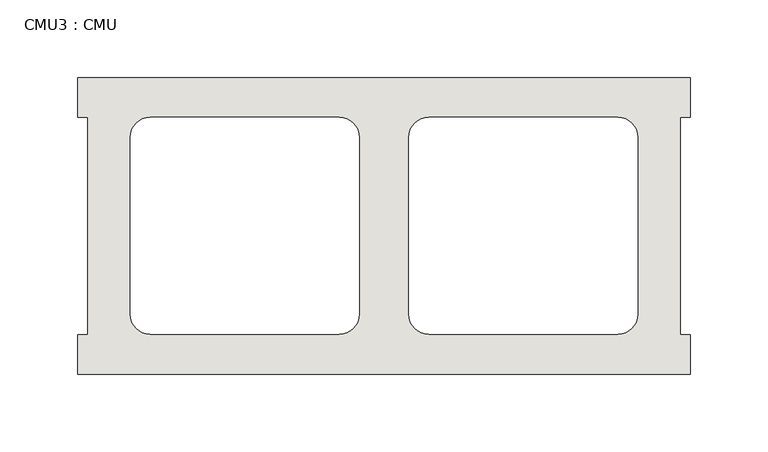
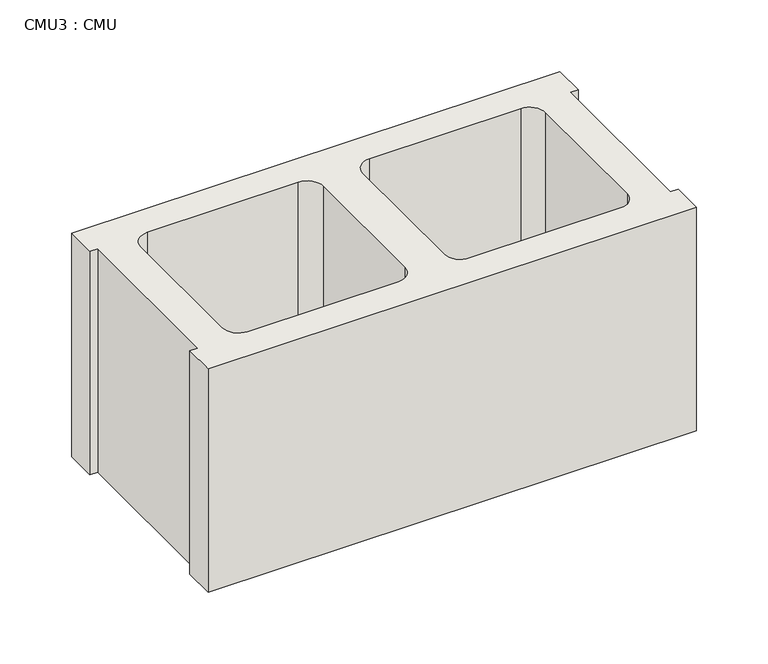
"""IFC4 building model written with IfcOpenShell, lengths in millimetres: wall geometry, CMU3 : CMU."""

from ifc_helpers import new_model, si_unit, point, frame, frame_2d, origin, place, context, project, spatial, polyline, circle_curve, trimmed, segment, composite_curve, outline, extrude, source, transform, mapped, element, save


def cmu3_cmu_ab1e16e1(model_context):
    return source(origin(), model_context, "Body", "SweptSolid", [
        extrude(outline(polyline([(-206.8785982, 3347.4652891), (186.8214018, 3347.4652891), (186.8214018, 3322.0652891), (180.4714018, 3322.0652891), (180.4714018, 3182.3652891), (186.8214018, 3182.3652891), (186.8214018, 3156.9652891), (-206.8785982, 3156.9652891), (-206.8785982, 3182.3652891), (-200.5285982, 3182.3652891), (-200.5285982, 3322.0652891), (-206.8785982, 3322.0652891), (-206.8785982, 3347.4652891)]), holes=[composite_curve([segment(polyline([(-38.7105995, 3322.0652891), (-160.4272496, 3322.0652891)]), True, "CONTINUOUS"), segment(trimmed(circle_curve(frame_2d((-160.4272496, 3309.3652891)), 12.7), [point((-160.4272496, 3322.0652891))], [point((-173.1272496, 3309.3652891))], True, "CARTESIAN"), True, "CONTINUOUS"), segment(polyline([(-173.1272496, 3309.3652891), (-173.1272496, 3195.2994494)]), True, "CONTINUOUS"), segment(trimmed(circle_curve(frame_2d((-160.4272496, 3195.2994494)), 12.7), [point((-173.1272496, 3195.2994494))], [point((-160.4272496, 3182.5994494))], True, "CARTESIAN"), True, "CONTINUOUS"), segment(polyline([(-160.4272496, 3182.5994494), (-38.7105995, 3182.5994494)]), True, "CONTINUOUS"), segment(trimmed(circle_curve(frame_2d((-38.7105995, 3195.2994494)), 12.7), [point((-38.7105995, 3182.5994494))], [point((-26.0105995, 3195.2994494))], True, "CARTESIAN"), True, "CONTINUOUS"), segment(polyline([(-26.0105995, 3195.2994494), (-26.0105995, 3309.3652891)]), True, "CONTINUOUS"), segment(trimmed(circle_curve(frame_2d((-38.7105995, 3309.3652891)), 12.7), [point((-26.0105995, 3309.3652891))], [point((-38.7105995, 3322.0652891))], True, "CARTESIAN"), True, "CONTINUOUS")], self_intersect=False), composite_curve([segment(trimmed(circle_curve(frame_2d((18.6534031, 3309.3652891)), 12.7), [point((18.6534031, 3322.0652891))], [point((5.9534031, 3309.3652891))], True, "CARTESIAN"), True, "CONTINUOUS"), segment(polyline([(5.9534031, 3309.3652891), (5.9534031, 3195.2994494)]), True, "CONTINUOUS"), segment(trimmed(circle_curve(frame_2d((18.6534031, 3195.2994494)), 12.7), [point((5.9534031, 3195.2994494))], [point((18.6534031, 3182.5994494))], True, "CARTESIAN"), True, "CONTINUOUS"), segment(polyline([(18.6534031, 3182.5994494), (140.3700532, 3182.5994494)]), True, "CONTINUOUS"), segment(trimmed(circle_curve(frame_2d((140.3700532, 3195.2994494)), 12.7), [point((140.3700532, 3182.5994494))], [point((153.0700532, 3195.2994494))], True, "CARTESIAN"), True, "CONTINUOUS"), segment(polyline([(153.0700532, 3195.2994494), (153.0700532, 3309.3652891)]), True, "CONTINUOUS"), segment(trimmed(circle_curve(frame_2d((140.3700532, 3309.3652891)), 12.7), [point((153.0700532, 3309.3652891))], [point((140.3700532, 3322.0652891))], True, "CARTESIAN"), True, "CONTINUOUS"), segment(polyline([(140.3700532, 3322.0652891), (18.6534031, 3322.0652891)]), True, "CONTINUOUS")], self_intersect=False)]), frame((0.0, 0.0, 203.2), z_axis=(0.0, 0.0, 1.0), x_axis=(1.0, 0.0, 0.0)), (0.0, 0.0, 1.0), 190.5),
    ])


if __name__ == "__main__":
    model = new_model("IFC4")
    model_context = context("Model", 3, world=origin())
    ifc_project = project(units=[si_unit("LENGTHUNIT", "METRE", prefix="MILLI")], contexts=[model_context])
    site = spatial("IfcSite", under=ifc_project)
    building = spatial("IfcBuilding", under=site)
    placement = place(None, origin())
    cmu3_cmu_shape = cmu3_cmu_ab1e16e1(model_context)
    element("IfcWall", 1, ObjectType="CMU3 : CMU", at=placement, inside=building, context=model_context, shape_type="MappedRepresentation", body=[
        mapped(cmu3_cmu_shape, transform((0.0, 0.0, 0.0), x_axis=(1.0, 0.0, 0.0), y_axis=(0.0, 1.0, 0.0), z_axis=(0.0, 0.0, 1.0))),
    ])
    save(model, "model.ifc")
